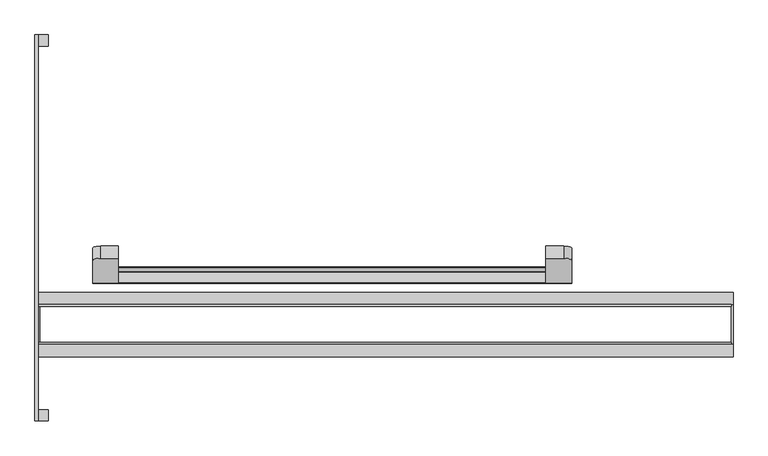
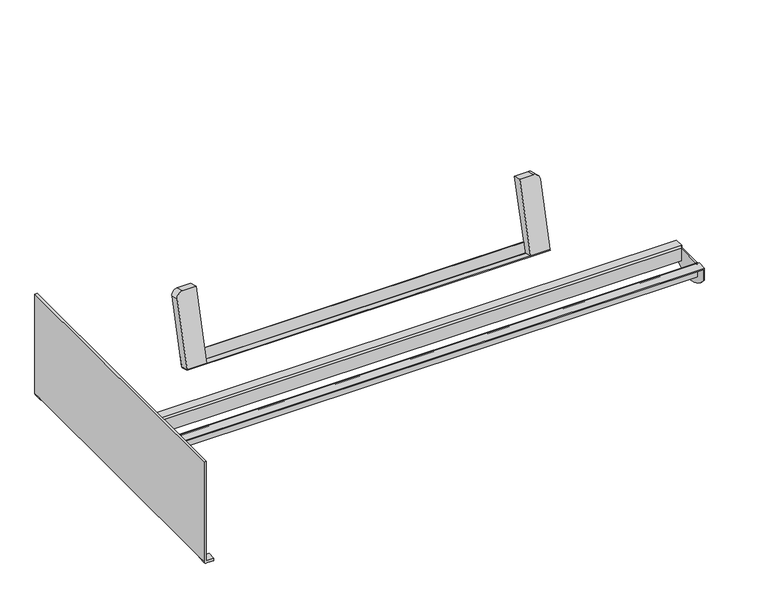
"""IFC4 building model written with IfcOpenShell, lengths in millimetres: furniture geometry."""

from ifc_helpers import new_model, si_unit, point, frame, frame_2d, origin, place, context, project, spatial, polyline, circle_curve, trimmed, segment, composite_curve, outline, extrude, source, transform, mapped, element, save
from ifc_brep_helpers import plane_surface, cylinder_surface, revolved_surface, advanced_brep


def furniture_34fdb9c0(model_context):
    return source(origin(), model_context, "Body", "SolidModel", [
        extrude(outline(composite_curve([segment(polyline([(-25.0, -24.9999999), (-25.0, 246.0), (55.2148, 246.0), (55.2148, -50.0), (0.0, -50.0)]), True, "CONTINUOUS"), segment(trimmed(circle_curve(frame_2d((0.0, -24.9999999)), 25.0), [point((0.0, -50.0))], [point((-25.0, -24.9999999))], False, "CARTESIAN"), True, "CONTINUOUS")], self_intersect=False)), frame((552.9998416, -69.7904115, 745.9743315), z_axis=(0.0, -0.9659258262890683, 0.2588190451025209), x_axis=(-1.0, 0.0, 0.0)), (0.0, 0.0, 1.0), 39.120575),
        extrude(outline(composite_curve([segment(trimmed(circle_curve(frame_2d((0.0, -25.0)), 25.0), [point((0.0, 0.0))], [point((25.0, -25.0))], False, "CARTESIAN"), True, "CONTINUOUS"), segment(polyline([(25.0, -25.0), (25.0, -80.2148), (-271.0, -80.2148), (-271.0, 0.0), (0.0, 0.0)]), True, "CONTINUOUS")], self_intersect=False)), frame((-910.000017, -63.3199354, 770.1224771), z_axis=(0.0, -0.9659258262890683, 0.2588190451025209), x_axis=(0.0, 0.2588190451025209, 0.9659258262890683)), (0.0, 0.0, 1.0), 39.120575),
        extrude(outline(composite_curve([segment(polyline([(-137.2047245, 506.2541733), (-172.0239275, 515.5839506), (-171.2474704, 518.4817281), (-136.4472255, 509.1570306)]), True, "CONTINUOUS"), segment(trimmed(circle_curve(frame_2d((-136.1956183, 510.0960412)), 0.9721354), [point((-136.4472255, 509.1570306))], [point((-135.2566077, 509.8444341))], True, "CARTESIAN"), True, "CONTINUOUS"), segment(polyline([(-135.2566077, 509.8444341), (-124.6378149, 549.4743081), (-121.7400375, 548.697851), (-132.36391, 509.0490188)]), True, "CONTINUOUS"), segment(trimmed(circle_curve(frame_2d((-136.1817401, 510.0720033)), 3.9525085), [point((-132.36391, 509.0490188))], [point((-137.2047245, 506.2541733))], False, "CARTESIAN"), True, "CONTINUOUS")], self_intersect=False)), frame((-910.000017, 0.0, 0.0), z_axis=(1.0, 0.0, 0.0), x_axis=(0.0, 1.0, 0.0)), (0.0, 0.0, 1.0), 1488.0),
        advanced_brep(
        [(-1078.85, 600.0, 10.0), (-1048.0911501, 600.0, 10.0), (-1048.0911501, 600.0, 0.0), (-1077.85, 600.0, 0.0), (-1088.85, 600.0, 10.0), (-1088.85, 600.0, 439.7588499), (-1078.85, 600.0, 439.7588499), (-1088.85, 565.0, 10.0), (-1077.85, 565.0, 0.0), (-1048.0911501, 565.0, 0.0), (-1048.0911501, 565.0, 10.0), (-1078.85, 565.0, 10.0), (-1078.85, -600.0, 439.7588499), (-1078.85, -600.0, 10.0), (-1078.85, -565.0, 10.0), (-1088.85, -600.0, 10.0), (-1088.85, -600.0, 439.7588499), (-1088.85, -565.0, 10.0), (-1077.85, -600.0, 0.0), (-1048.0911501, -600.0, 0.0), (-1048.0911501, -600.0, 10.0), (-1048.0911501, -565.0, 10.0), (-1048.0911501, -565.0, 0.0), (-1077.85, -565.0, 0.0)],
        [
            (0, 1),
            (1, 2),
            (2, 3),
            (3, 4, circle_curve(frame((-1078.8045455, 600.0, 10.0), z_axis=(0.0, 1.0, 0.0), x_axis=(-1.0, 0.0, 0.0)), 10.0454545)),
            (4, 5),
            (5, 6),
            (6, 0),
            (7, 8, circle_curve(frame((-1078.8045455, 565.0, 10.0), z_axis=(0.0, -1.0, 0.0), x_axis=(-1.0, 0.0, 0.0)), 10.0454545)),
            (8, 9),
            (9, 10),
            (10, 11),
            (11, 7),
            (0, 11),
            (10, 1),
            (9, 2),
            (8, 3),
            (7, 4),
            (6, 12),
            (12, 13),
            (13, 14),
            (14, 11),
            (15, 16),
            (16, 5),
            (7, 17),
            (17, 15),
            (16, 12),
            (15, 18, circle_curve(frame((-1078.8045455, -600.0, 10.0), z_axis=(0.0, -1.0, 0.0), x_axis=(-1.0, 0.0, 0.0)), 10.0454545)),
            (18, 19),
            (19, 20),
            (20, 13),
            (14, 17),
            (14, 21),
            (21, 22),
            (22, 23),
            (23, 17, circle_curve(frame((-1078.8045455, -565.0, 10.0), z_axis=(0.0, 1.0, 0.0), x_axis=(-1.0, 0.0, 0.0)), 10.0454545)),
            (20, 21),
            (19, 22),
            (18, 23),
        ],
        [
            plane_surface(frame((-1048.0911501, 600.0, 10.0), z_axis=(0.0, 1.0, 0.0), x_axis=(1.0, 0.0, 0.0))),
            plane_surface(frame((-1048.0911501, 565.0, 10.0), z_axis=(0.0, -1.0, 0.0), x_axis=(-1.0, 0.0, 0.0))),
            plane_surface(frame((-1078.85, 600.0, 10.0), z_axis=(0.0, 0.0, 1.0), x_axis=(0.0, -1.0, 0.0))),
            plane_surface(frame((-1048.0911501, 600.0, 10.0), z_axis=(1.0, 0.0, 0.0), x_axis=(0.0, -1.0, 0.0))),
            plane_surface(frame((-1048.0911501, 600.0, 0.0), z_axis=(0.0, 0.0, -1.0), x_axis=(0.0, -1.0, 0.0))),
            cylinder_surface(frame((-1078.8045455, 565.0, 10.0), z_axis=(0.0, 1.0, 0.0), x_axis=(-1.0, 0.0, 0.0)), 10.0454545),
            plane_surface(frame((-1078.85, 600.0, 11.0), z_axis=(1.0, 0.0, 0.0), x_axis=(0.0, 0.0, 1.0))),
            plane_surface(frame((-1088.85, 600.0, 11.0), z_axis=(-1.0, 0.0, 0.0), x_axis=(0.0, 0.0, -1.0))),
            plane_surface(frame((-1078.85, 600.0, 439.7588499), z_axis=(0.0, 0.0, 1.0), x_axis=(-1.0, 0.0, 0.0))),
            plane_surface(frame((-1078.85, -600.0, 439.7588499), z_axis=(0.0, -1.0, 0.0), x_axis=(-1.0, 0.0, 0.0))),
            plane_surface(frame((-1078.85, -600.0, 10.0), z_axis=(0.0, 0.0, -1.0), x_axis=(-1.0, 0.0, 0.0))),
            plane_surface(frame((-1078.85, -565.0, 10.0), z_axis=(0.0, 1.0, 0.0), x_axis=(1.0, 0.0, 0.0))),
            plane_surface(frame((-1048.0911501, -600.0, 10.0), z_axis=(0.0, 0.0, 1.0), x_axis=(0.0, 1.0, 0.0))),
            plane_surface(frame((-1048.0911501, -600.0, 0.0), z_axis=(1.0, 0.0, 0.0), x_axis=(0.0, 1.0, 0.0))),
            plane_surface(frame((-1077.85, -600.0, 0.0), z_axis=(0.0, 0.0, -1.0), x_axis=(0.0, 1.0, 0.0))),
            cylinder_surface(frame((-1078.8045455, -565.0, 10.0), z_axis=(0.0, -1.0, 0.0), x_axis=(-1.0, 0.0, 0.0)), 10.0454545),
        ],
        [
            (0, [[1, 2, 3, 4, 5, 6, 7]]),
            (1, [[8, 9, 10, 11, 12]]),
            (2, [[-1, 13, -11, 14]]),
            (3, [[-2, -14, -10, 15]]),
            (4, [[-3, -15, -9, 16]]),
            (5, [[-4, -16, -8, 17]]),
            (6, [[-7, 18, 19, 20, 21, -13]]),
            (7, [[22, 23, -5, -17, 24, 25]]),
            (8, [[-18, -6, -23, 26]]),
            (9, [[-19, -26, -22, 27, 28, 29, 30]]),
            (10, [[-12, -21, 31, -24]]),
            (11, [[32, 33, 34, 35, -31]]),
            (12, [[-30, 36, -32, -20]]),
            (13, [[-29, 37, -33, -36]]),
            (14, [[-28, 38, -34, -37]]),
            (15, [[-27, -25, -35, -38]]),
        ],
    ),
        advanced_brep(
        [(1073.85, -239.4872061, 394.6382749), (1073.85, -238.4872061, 395.6382749), (1073.85, -237.5004802, 395.6382749), (1073.85, -237.5004802, 400.6382749), (1073.85, -238.4872061, 400.6382749), (1073.85, -244.4872061, 394.6382749), (1073.85, -244.4872061, 393.1147491), (1073.85, -239.4872061, 393.1147491), (-1078.85, -244.4872061, 394.6382749), (-1078.85, -238.4872061, 400.6382749), (-1078.85, -200.0004802, 400.6382749), (-1078.85, -200.0, 347.7588499), (-1078.85, -400.0, 347.7588499), (-1078.85, -400.0, 400.6382749), (-1078.85, -361.5132741, 400.6382749), (-1078.85, -355.5132741, 394.6382749), (-1078.85, -355.5132741, 393.1147491), (-1078.85, -244.4872061, 393.1147491), (-1078.85, -237.5004802, 395.6382749), (-1078.85, -238.4872061, 395.6382749), (-1078.85, -239.4872061, 394.6382749), (-1078.85, -239.4872061, 393.1147491), (-1078.85, -237.5004802, 393.1147491), (-1078.85, -360.5132741, 394.6382749), (-1078.85, -361.5132741, 395.6382749), (-1078.85, -362.5, 395.6382749), (-1078.85, -362.5, 393.1147491), (-1078.85, -360.5132741, 393.1147491), (1073.85, -244.4872061, 340.151549), (-1073.85, -244.4872061, 340.151549), (-1073.85, -239.4872061, 340.151549), (1073.85, -239.4872061, 340.151549), (-1073.85, -244.4872061, 393.1147491), (1078.85, -237.5004802, 400.6382749), (1078.85, -200.0004802, 400.6382749), (-1073.85, -237.5004802, 395.6382749), (-1073.85, -200.0004802, 395.6382749), (1073.85, -200.0004802, 395.6382749), (-1073.85, -239.4872061, 393.1147491), (1073.85, -400.0, 347.7588499), (1078.85, -400.0, 347.7588499), (1078.85, -400.0, 400.6382749), (-1073.85, -400.0, 347.7588499), (-1073.85, -400.0, 395.6382749), (1073.85, -400.0, 395.6382749), (-1073.85, -362.5, 395.6382749), (-1073.85, -362.5, 393.1147491), (1078.85, -362.5, 400.6382749), (1078.85, -362.5, 393.1147491), (1073.85, -362.5, 393.1147491), (1073.85, -362.5, 395.6382749), (1073.85, -362.5, 400.6382749), (1073.85, -361.5132741, 400.6382749), (1073.85, -361.5132741, 395.6382749), (-1073.85, -200.0, 347.7588499), (-1073.85, -237.5004802, 393.1147491), (-1073.85, -355.5132741, 393.1147491), (-1073.85, -355.5132741, 340.151549), (-1073.85, -360.5132741, 340.151549), (-1073.85, -360.5132741, 393.1147491), (1073.85, -355.5132741, 394.6382749), (1073.85, -360.5132741, 394.6382749), (1073.85, -360.5132741, 393.1147491), (1073.85, -355.5132741, 393.1147491), (1073.85, -360.5132741, 340.151549), (1073.85, -355.5132741, 340.151549), (1078.85, -200.0004802, 347.7588499), (1073.85, -200.0004802, 347.7588499), (1073.85, -237.5004802, 393.1147491), (1078.85, -237.5004802, 393.1147491)],
        [
            (0, 1, circle_curve(frame((1073.85, -238.4872061, 394.6382749), z_axis=(-1.0, 0.0, 0.0), x_axis=(0.0, 1.0, 0.0)), 1.0)),
            (1, 2),
            (2, 3),
            (3, 4),
            (4, 5, circle_curve(frame((1073.85, -238.4872061, 394.6382749), z_axis=(1.0, 0.0, 0.0), x_axis=(0.0, 1.0, 0.0)), 6.0)),
            (5, 6),
            (6, 7),
            (7, 0),
            (8, 9, circle_curve(frame((-1078.85, -238.4872061, 394.6382749), z_axis=(-1.0, 0.0, 0.0), x_axis=(0.0, 1.0, 0.0)), 6.0)),
            (9, 10),
            (10, 11),
            (11, 12, circle_curve(frame((-1078.85, -300.0, 421.080061), z_axis=(-1.0, 0.0, 0.0), x_axis=(0.0, -0.8064516129032312, -0.5913000896717141)), 124.0)),
            (12, 13),
            (13, 14),
            (14, 15, circle_curve(frame((-1078.85, -361.5132741, 394.6382749), z_axis=(-1.0, 0.0, 0.0), x_axis=(0.0, -1.0, 0.0)), 6.0)),
            (15, 16),
            (16, 17),
            (17, 8),
            (18, 19),
            (19, 20, circle_curve(frame((-1078.85, -238.4872061, 394.6382749), z_axis=(1.0, 0.0, 0.0), x_axis=(0.0, 1.0, 0.0)), 1.0)),
            (20, 21),
            (21, 22),
            (22, 18),
            (23, 24, circle_curve(frame((-1078.85, -361.5132741, 394.6382749), z_axis=(1.0, 0.0, 0.0), x_axis=(0.0, -1.0, 0.0)), 1.0)),
            (24, 25),
            (25, 26),
            (26, 27),
            (27, 23),
            (28, 29),
            (29, 30),
            (30, 31),
            (31, 28),
            (5, 8),
            (17, 32),
            (32, 29),
            (28, 6),
            (4, 9),
            (3, 33),
            (33, 34),
            (34, 10),
            (1, 19),
            (18, 35),
            (35, 36),
            (36, 37),
            (37, 2),
            (0, 20),
            (7, 31),
            (30, 38),
            (38, 21),
            (39, 40),
            (40, 41),
            (41, 13),
            (12, 42),
            (42, 43),
            (43, 44),
            (44, 39),
            (45, 46),
            (46, 26),
            (25, 45),
            (47, 48),
            (48, 49),
            (49, 50),
            (50, 51),
            (51, 47),
            (41, 47),
            (51, 52),
            (52, 14),
            (43, 45),
            (24, 53),
            (53, 50),
            (50, 44),
            (42, 54, circle_curve(frame((-1073.85, -300.0, 421.080061), z_axis=(1.0, 0.0, 0.0), x_axis=(0.0, -0.8064516129032312, -0.5913000896717141)), 124.0)),
            (54, 36),
            (35, 55),
            (55, 38),
            (32, 56),
            (56, 57),
            (57, 58),
            (58, 59),
            (59, 46),
            (60, 52, circle_curve(frame((1073.85, -361.5132741, 394.6382749), z_axis=(1.0, 0.0, 0.0), x_axis=(0.0, -1.0, 0.0)), 6.0)),
            (53, 61, circle_curve(frame((1073.85, -361.5132741, 394.6382749), z_axis=(-1.0, 0.0, 0.0), x_axis=(0.0, -1.0, 0.0)), 1.0)),
            (61, 62),
            (62, 63),
            (63, 60),
            (64, 58),
            (57, 65),
            (65, 64),
            (15, 60),
            (63, 65),
            (56, 16),
            (23, 61),
            (27, 59),
            (64, 62),
            (54, 11),
            (34, 66),
            (66, 67),
            (67, 37),
            (22, 55),
            (2, 68),
            (68, 69),
            (69, 33),
            (49, 62),
            (63, 6),
            (7, 68),
            (67, 39, circle_curve(frame((1073.85, -300.0, 421.080061), z_axis=(-1.0, 0.0, 0.0), x_axis=(0.0, -0.8064516129032312, -0.5913000896717141)), 124.0)),
            (40, 66, circle_curve(frame((1078.85, -300.0, 421.080061), z_axis=(1.0, 0.0, 0.0), x_axis=(0.0, -0.8064516129032312, -0.5913000896717141)), 124.0)),
            (69, 48),
        ],
        [
            plane_surface(frame((1073.85, -239.4872061, 394.6382749), z_axis=(1.0, 0.0, 0.0), x_axis=(0.0, 0.0, 1.0))),
            plane_surface(frame((-1078.85, -239.4872061, 394.6382749), z_axis=(-1.0, 0.0, 0.0), x_axis=(0.0, 0.0, -1.0))),
            plane_surface(frame((1073.85, -244.4872061, 340.151549), z_axis=(0.0, 0.0, -1.0), x_axis=(-1.0, 0.0, 0.0))),
            plane_surface(frame((1073.85, -244.4872061, 394.6382749), z_axis=(0.0, -1.0, 0.0), x_axis=(-1.0, 0.0, 0.0))),
            cylinder_surface(frame((-1078.85, -238.4872061, 394.6382749), z_axis=(1.0, 0.0, 0.0), x_axis=(0.0, 1.0, 0.0)), 6.0),
            plane_surface(frame((1073.85, -237.5004802, 400.6382749), z_axis=(0.0, 0.0, 1.0), x_axis=(-1.0, 0.0, 0.0))),
            plane_surface(frame((1073.85, -238.4872061, 395.6382749), z_axis=(0.0, 0.0, -1.0), x_axis=(-1.0, 0.0, 0.0))),
            revolved_surface(polyline([(-1078.85, -237.4872061, 394.6382749), (1073.85, -237.4872061, 394.6382749)]), (-1078.85, -238.4872061, 394.6382749), (-1.0, 0.0, 0.0)),
            plane_surface(frame((1073.85, -239.4872061, 340.151549), z_axis=(0.0, 1.0, 0.0), x_axis=(-1.0, 0.0, 0.0))),
            plane_surface(frame((1073.85, -400.0, 393.1147491), z_axis=(0.0, -1.0, 0.0), x_axis=(0.0, 0.0, -1.0))),
            plane_surface(frame((1073.85, -362.5, 393.1147491), z_axis=(0.0, 1.0, 0.0), x_axis=(0.0, 0.0, 1.0))),
            plane_surface(frame((1078.85, -400.0, 400.6382749), z_axis=(0.0, 0.0, 1.0), x_axis=(0.0, 1.0, 0.0))),
            plane_surface(frame((-1073.85, -400.0, 395.6382749), z_axis=(0.0, 0.0, -1.0), x_axis=(0.0, 1.0, 0.0))),
            plane_surface(frame((-1073.85, -400.0, 393.1147491), z_axis=(1.0, 0.0, 0.0), x_axis=(0.0, 1.0, 0.0))),
            plane_surface(frame((1073.85, -360.5132741, 340.151549), z_axis=(1.0, 0.0, 0.0), x_axis=(0.0, 1.0, 0.0))),
            plane_surface(frame((1073.85, -360.5132741, 340.151549), z_axis=(0.0, 0.0, -1.0), x_axis=(-1.0, 0.0, 0.0))),
            plane_surface(frame((1073.85, -355.5132741, 340.151549), z_axis=(0.0, 1.0, 0.0), x_axis=(-1.0, 0.0, 0.0))),
            cylinder_surface(frame((-1078.85, -361.5132741, 394.6382749), z_axis=(1.0, 0.0, 0.0), x_axis=(0.0, -1.0, 0.0)), 6.0),
            revolved_surface(polyline([(-1078.85, -362.5132741, 394.6382749), (1073.85, -362.5132741, 394.6382749)]), (-1078.85, -361.5132741, 394.6382749), (-1.0, 0.0, 0.0)),
            plane_surface(frame((1073.85, -360.5132741, 394.6382749), z_axis=(0.0, -1.0, 0.0), x_axis=(-1.0, 0.0, 0.0))),
            plane_surface(frame((-825.879425, -200.0004802, 395.6382749), z_axis=(0.0, 1.0, 0.0), x_axis=(-1.0, 0.0, 0.0))),
            plane_surface(frame((-825.879425, -237.5004802, 395.6382749), z_axis=(0.0, -1.0, 0.0), x_axis=(1.0, 0.0, 0.0))),
            plane_surface(frame((-1073.85, -200.0, 393.1147491), z_axis=(0.0, 0.0, 1.0), x_axis=(-1.0, 0.0, 0.0))),
            cylinder_surface(frame((-1078.85, -300.0, 421.080061), z_axis=(1.0000000000000002, 0.0, 0.0), x_axis=(0.0, -0.8064516129032312, -0.5913000896717141)), 124.0),
            plane_surface(frame((1073.85, -400.0, 395.6382749), z_axis=(-1.0, 0.0, 0.0), x_axis=(0.0, 1.0, 0.0))),
            plane_surface(frame((1078.85, -400.0, 393.1147491), z_axis=(1.0, 0.0, 0.0), x_axis=(0.0, 1.0, 0.0))),
            plane_surface(frame((1073.85, -400.0, 393.1147491), z_axis=(0.0, 0.0, 1.0), x_axis=(1.0, 0.0, 0.0))),
            cylinder_surface(frame((1078.85, -300.0, 421.080061), z_axis=(-1.0000000000000002, 0.0, 0.0), x_axis=(0.0, -0.8064516129032312, -0.5913000896717141)), 124.0),
        ],
        [
            (0, [[1, 2, 3, 4, 5, 6, 7, 8]]),
            (1, [[9, 10, 11, 12, 13, 14, 15, 16, 17, 18], [19, 20, 21, 22, 23], [24, 25, 26, 27, 28]]),
            (2, [[29, 30, 31, 32]]),
            (3, [[33, -18, 34, 35, -29, 36, -6]]),
            (4, [[-5, 37, -9, -33]]),
            (5, [[-4, 38, 39, 40, -10, -37]]),
            (6, [[-2, 41, -19, 42, 43, 44, 45]]),
            (7, [[-1, 46, -20, -41]]),
            (8, [[-46, -8, 47, -31, 48, 49, -21]]),
            (9, [[50, 51, 52, -13, 53, 54, 55, 56]]),
            (10, [[57, 58, -26, 59]]),
            (10, [[60, 61, 62, 63, 64]]),
            (11, [[-52, 65, -64, 66, 67, -14]]),
            (12, [[-55, 68, -59, -25, 69, 70, 71]]),
            (13, [[-57, -68, -54, 72, 73, -43, 74, 75, -48, -30, -35, 76, 77, 78, 79, 80]]),
            (14, [[81, -66, -63, -70, 82, 83, 84, 85]]),
            (15, [[86, -78, 87, 88]]),
            (16, [[89, -85, 90, -87, -77, 91, -16]]),
            (17, [[-81, -89, -15, -67]]),
            (18, [[-82, -69, -24, 92]]),
            (19, [[-92, -28, 93, -79, -86, 94, -83]]),
            (20, [[-44, -73, 95, -11, -40, 96, 97, 98]]),
            (21, [[-74, -42, -23, 99]]),
            (21, [[100, 101, 102, -38, -3]]),
            (22, [[-17, -91, -76, -34]]),
            (22, [[-22, -49, -75, -99]]),
            (22, [[-27, -58, -80, -93]]),
            (23, [[-72, -53, -12, -95]]),
            (24, [[-56, -71, -62, 103, -94, -88, -90, 104, -36, -32, -47, 105, -100, -45, -98, 106]]),
            (25, [[-51, 107, -96, -39, -102, 108, -60, -65]]),
            (26, [[-104, -84, -103, -61, -108, -101, -105, -7]]),
            (27, [[-106, -97, -107, -50]]),
        ],
    ),
    ])


if __name__ == "__main__":
    model = new_model("IFC4")
    model_context = context("Model", 3, world=origin())
    ifc_project = project(units=[si_unit("LENGTHUNIT", "METRE", prefix="MILLI")], contexts=[model_context])
    site = spatial("IfcSite", under=ifc_project)
    building = spatial("IfcBuilding", under=site)
    placement = place(None, origin())
    furniture_shape = furniture_34fdb9c0(model_context)
    element("IfcFurniture", 1, at=placement, inside=building, context=model_context, shape_type="MappedRepresentation", body=[
        mapped(furniture_shape, transform((0.0, 0.0, 0.0), x_axis=(1.0, 0.0, 0.0), y_axis=(0.0, 1.0, 0.0), z_axis=(0.0, 0.0, 1.0))),
    ])
    save(model, "model.ifc")
